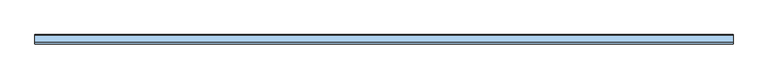
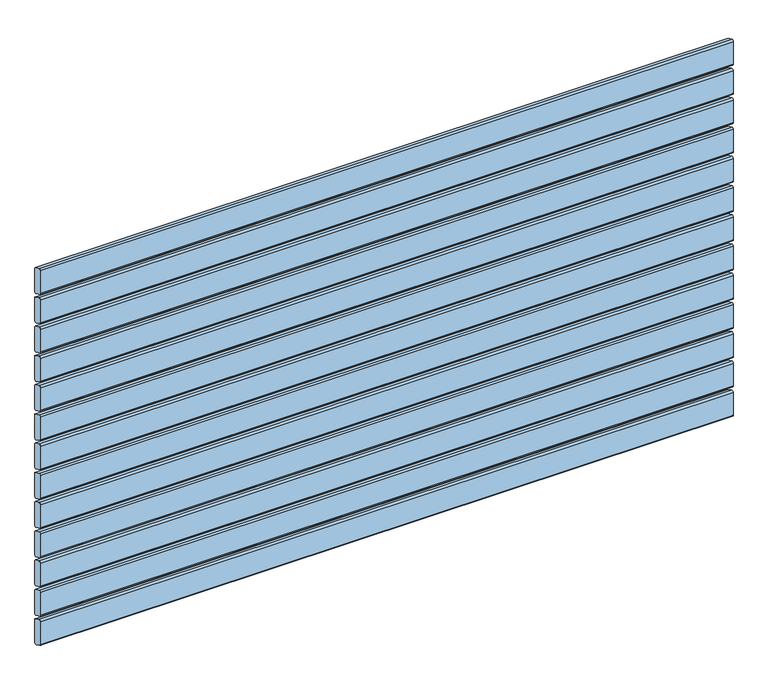
"""IFC4 building model written with IfcOpenShell, lengths in millimetres: window geometry."""

from ifc_helpers import new_model, si_unit, frame, origin, place, context, project, spatial, circle_curve, source, transform, mapped, element, save
from ifc_brep_helpers import plane_surface, cylinder_surface, advanced_brep


def window_3e2f545a(model_context):
    return source(origin(), model_context, "Body", "AdvancedBrep", [
        advanced_brep(
        [(750.0, 118.0028013, 1317.5270549), (750.0, 119.7349465, 1314.8081315), (750.0, 133.7322609, 1308.2810766), (750.0, 138.0, 1310.9736586), (750.0, 138.0, 1363.574129), (750.0, 136.9038327, 1365.8926244), (750.0, 122.1873858, 1372.7550163), (750.0, 118.0, 1370.0), (-750.0, 118.0, 1317.5270549), (-750.0, 118.0, 1370.0), (-750.0, 122.1873858, 1372.7550163), (-750.0, 136.9038327, 1365.8926244), (-750.0, 138.0, 1363.574129), (-750.0, 138.0, 1310.9736586), (-750.0, 133.7322609, 1308.2810766), (-750.0, 119.7349465, 1314.8081315)],
        [
            (0, 1, circle_curve(frame((750.0, 121.0028013, 1317.5270549), z_axis=(1.0, 0.0, 0.0), x_axis=(0.0, -0.422245314833475, -0.9064816016341312)), 3.0)),
            (1, 2),
            (2, 3, circle_curve(frame((750.0, 135.0001156, 1311.0), z_axis=(1.0, 0.0, 0.0), x_axis=(0.0, 1.0, 0.0)), 3.0)),
            (3, 4),
            (4, 5, circle_curve(frame((750.0, 135.0, 1363.574129), z_axis=(1.0, 0.0, 0.0), x_axis=(0.0, 0.4172998244673827, 0.908768868579625)), 3.0)),
            (5, 6),
            (6, 7, circle_curve(frame((750.0, 121.0, 1370.0), z_axis=(1.0, 0.0, 0.0), x_axis=(0.0, -1.0, 0.0)), 3.0)),
            (7, 0),
            (8, 9),
            (9, 10, circle_curve(frame((-750.0, 121.0, 1370.0), z_axis=(-1.0, 0.0, 0.0), x_axis=(0.0, -1.0, 0.0)), 3.0)),
            (10, 11),
            (11, 12, circle_curve(frame((-750.0, 135.0, 1363.574129), z_axis=(-1.0, 0.0, 0.0), x_axis=(0.0, 0.4172998244673827, 0.908768868579625)), 3.0)),
            (12, 13),
            (13, 14, circle_curve(frame((-750.0, 135.0001156, 1311.0), z_axis=(-1.0, 0.0, 0.0), x_axis=(0.0, 1.0, 0.0)), 3.0)),
            (14, 15),
            (15, 8, circle_curve(frame((-750.0, 121.0028013, 1317.5270549), z_axis=(-1.0, 0.0, 0.0), x_axis=(0.0, -0.422245314833475, -0.9064816016341312)), 3.0)),
            (0, 8),
            (15, 1),
            (14, 2),
            (13, 3),
            (12, 4),
            (11, 5),
            (10, 6),
            (9, 7),
        ],
        [
            plane_surface(frame((750.0, 100.0, 1340.5), z_axis=(1.0, 0.0, 0.0), x_axis=(0.0, 0.0, 1.0))),
            plane_surface(frame((-750.0, 100.0, 1340.5), z_axis=(-1.0, 0.0, 0.0), x_axis=(0.0, 0.0, 1.0))),
            cylinder_surface(frame((750.0, 121.0028013, 1317.5270549), z_axis=(1.0, 0.0, 0.0), x_axis=(0.0, -0.422245314833475, -0.9064816016341312)), 3.0),
            plane_surface(frame((750.0, 119.7349465, 1314.8081315), z_axis=(0.0, -0.4226182617407, -0.9063077870366497), x_axis=(-1.0, 0.0, 0.0))),
            cylinder_surface(frame((750.0, 135.0001156, 1311.0), z_axis=(1.0, 0.0, 0.0), x_axis=(0.0, 1.0, 0.0)), 3.0),
            plane_surface(frame((750.0, 138.0, 1310.9736586), z_axis=(0.0, 1.0, 0.0), x_axis=(-1.0, 0.0, 0.0))),
            cylinder_surface(frame((750.0, 135.0, 1363.574129), z_axis=(1.0000000000000002, 0.0, 0.0), x_axis=(0.0, 0.4172998244673827, 0.908768868579625)), 3.0),
            plane_surface(frame((750.0, 136.9038327, 1365.8926244), z_axis=(0.0, 0.4226182617406934, 0.9063077870366529), x_axis=(-1.0, 0.0, 0.0))),
            cylinder_surface(frame((750.0, 121.0, 1370.0), z_axis=(1.0, 0.0, 0.0), x_axis=(0.0, -1.0, 0.0)), 3.0),
            plane_surface(frame((750.0, 118.0, 1370.0), z_axis=(0.0, -1.0, 0.0), x_axis=(-1.0, 0.0, 0.0))),
        ],
        [
            (0, [[1, 2, 3, 4, 5, 6, 7, 8]]),
            (1, [[9, 10, 11, 12, 13, 14, 15, 16]]),
            (2, [[-1, 17, -16, 18]]),
            (3, [[-2, -18, -15, 19]]),
            (4, [[-3, -19, -14, 20]]),
            (5, [[-4, -20, -13, 21]]),
            (6, [[-5, -21, -12, 22]]),
            (7, [[-6, -22, -11, 23]]),
            (8, [[-7, -23, -10, 24]]),
            (9, [[-8, -24, -9, -17]]),
        ],
    ),
        advanced_brep(
        [(750.0, 118.0028013, 1250.5270549), (750.0, 119.7349465, 1247.8081315), (750.0, 133.7322609, 1241.2810766), (750.0, 138.0, 1243.9736586), (750.0, 138.0, 1296.574129), (750.0, 136.9038327, 1298.8926244), (750.0, 122.1873858, 1305.7550163), (750.0, 118.0, 1303.0), (-750.0, 118.0, 1250.5270549), (-750.0, 118.0, 1303.0), (-750.0, 122.1873858, 1305.7550163), (-750.0, 136.9038327, 1298.8926244), (-750.0, 138.0, 1296.574129), (-750.0, 138.0, 1243.9736586), (-750.0, 133.7322609, 1241.2810766), (-750.0, 119.7349465, 1247.8081315)],
        [
            (0, 1, circle_curve(frame((750.0, 121.0028013, 1250.5270549), z_axis=(1.0, 0.0, 0.0), x_axis=(0.0, -0.422245314833475, -0.9064816016341312)), 3.0)),
            (1, 2),
            (2, 3, circle_curve(frame((750.0, 135.0001156, 1244.0), z_axis=(1.0, 0.0, 0.0), x_axis=(0.0, 1.0, 0.0)), 3.0)),
            (3, 4),
            (4, 5, circle_curve(frame((750.0, 135.0, 1296.574129), z_axis=(1.0, 0.0, 0.0), x_axis=(0.0, 0.4172998244673827, 0.908768868579625)), 3.0)),
            (5, 6),
            (6, 7, circle_curve(frame((750.0, 121.0, 1303.0), z_axis=(1.0, 0.0, 0.0), x_axis=(0.0, -1.0, 0.0)), 3.0)),
            (7, 0),
            (8, 9),
            (9, 10, circle_curve(frame((-750.0, 121.0, 1303.0), z_axis=(-1.0, 0.0, 0.0), x_axis=(0.0, -1.0, 0.0)), 3.0)),
            (10, 11),
            (11, 12, circle_curve(frame((-750.0, 135.0, 1296.574129), z_axis=(-1.0, 0.0, 0.0), x_axis=(0.0, 0.4172998244673827, 0.908768868579625)), 3.0)),
            (12, 13),
            (13, 14, circle_curve(frame((-750.0, 135.0001156, 1244.0), z_axis=(-1.0, 0.0, 0.0), x_axis=(0.0, 1.0, 0.0)), 3.0)),
            (14, 15),
            (15, 8, circle_curve(frame((-750.0, 121.0028013, 1250.5270549), z_axis=(-1.0, 0.0, 0.0), x_axis=(0.0, -0.422245314833475, -0.9064816016341312)), 3.0)),
            (0, 8),
            (15, 1),
            (14, 2),
            (13, 3),
            (12, 4),
            (11, 5),
            (10, 6),
            (9, 7),
        ],
        [
            plane_surface(frame((750.0, 100.0, 1273.5), z_axis=(1.0, 0.0, 0.0), x_axis=(0.0, 0.0, 1.0))),
            plane_surface(frame((-750.0, 100.0, 1273.5), z_axis=(-1.0, 0.0, 0.0), x_axis=(0.0, 0.0, 1.0))),
            cylinder_surface(frame((750.0, 121.0028013, 1250.5270549), z_axis=(1.0, 0.0, 0.0), x_axis=(0.0, -0.422245314833475, -0.9064816016341312)), 3.0),
            plane_surface(frame((750.0, 119.7349465, 1247.8081315), z_axis=(0.0, -0.4226182617407, -0.9063077870366497), x_axis=(-1.0, 0.0, 0.0))),
            cylinder_surface(frame((750.0, 135.0001156, 1244.0), z_axis=(1.0, 0.0, 0.0), x_axis=(0.0, 1.0, 0.0)), 3.0),
            plane_surface(frame((750.0, 138.0, 1243.9736586), z_axis=(0.0, 1.0, 0.0), x_axis=(-1.0, 0.0, 0.0))),
            cylinder_surface(frame((750.0, 135.0, 1296.574129), z_axis=(1.0000000000000002, 0.0, 0.0), x_axis=(0.0, 0.4172998244673827, 0.908768868579625)), 3.0),
            plane_surface(frame((750.0, 136.9038327, 1298.8926244), z_axis=(0.0, 0.4226182617406934, 0.9063077870366529), x_axis=(-1.0, 0.0, 0.0))),
            cylinder_surface(frame((750.0, 121.0, 1303.0), z_axis=(1.0, 0.0, 0.0), x_axis=(0.0, -1.0, 0.0)), 3.0),
            plane_surface(frame((750.0, 118.0, 1303.0), z_axis=(0.0, -1.0, 0.0), x_axis=(-1.0, 0.0, 0.0))),
        ],
        [
            (0, [[1, 2, 3, 4, 5, 6, 7, 8]]),
            (1, [[9, 10, 11, 12, 13, 14, 15, 16]]),
            (2, [[-1, 17, -16, 18]]),
            (3, [[-2, -18, -15, 19]]),
            (4, [[-3, -19, -14, 20]]),
            (5, [[-4, -20, -13, 21]]),
            (6, [[-5, -21, -12, 22]]),
            (7, [[-6, -22, -11, 23]]),
            (8, [[-7, -23, -10, 24]]),
            (9, [[-8, -24, -9, -17]]),
        ],
    ),
        advanced_brep(
        [(750.0, 118.0028013, 1183.5270549), (750.0, 119.7349465, 1180.8081315), (750.0, 133.7322609, 1174.2810766), (750.0, 138.0, 1176.9736586), (750.0, 138.0, 1229.574129), (750.0, 136.9038327, 1231.8926244), (750.0, 122.1873858, 1238.7550163), (750.0, 118.0, 1236.0), (-750.0, 118.0, 1183.5270549), (-750.0, 118.0, 1236.0), (-750.0, 122.1873858, 1238.7550163), (-750.0, 136.9038327, 1231.8926244), (-750.0, 138.0, 1229.574129), (-750.0, 138.0, 1176.9736586), (-750.0, 133.7322609, 1174.2810766), (-750.0, 119.7349465, 1180.8081315)],
        [
            (0, 1, circle_curve(frame((750.0, 121.0028013, 1183.5270549), z_axis=(1.0, 0.0, 0.0), x_axis=(0.0, -0.422245314833475, -0.9064816016341312)), 3.0)),
            (1, 2),
            (2, 3, circle_curve(frame((750.0, 135.0001156, 1177.0), z_axis=(1.0, 0.0, 0.0), x_axis=(0.0, 1.0, 0.0)), 3.0)),
            (3, 4),
            (4, 5, circle_curve(frame((750.0, 135.0, 1229.574129), z_axis=(1.0, 0.0, 0.0), x_axis=(0.0, 0.4172998244673827, 0.908768868579625)), 3.0)),
            (5, 6),
            (6, 7, circle_curve(frame((750.0, 121.0, 1236.0), z_axis=(1.0, 0.0, 0.0), x_axis=(0.0, -1.0, 0.0)), 3.0)),
            (7, 0),
            (8, 9),
            (9, 10, circle_curve(frame((-750.0, 121.0, 1236.0), z_axis=(-1.0, 0.0, 0.0), x_axis=(0.0, -1.0, 0.0)), 3.0)),
            (10, 11),
            (11, 12, circle_curve(frame((-750.0, 135.0, 1229.574129), z_axis=(-1.0, 0.0, 0.0), x_axis=(0.0, 0.4172998244673827, 0.908768868579625)), 3.0)),
            (12, 13),
            (13, 14, circle_curve(frame((-750.0, 135.0001156, 1177.0), z_axis=(-1.0, 0.0, 0.0), x_axis=(0.0, 1.0, 0.0)), 3.0)),
            (14, 15),
            (15, 8, circle_curve(frame((-750.0, 121.0028013, 1183.5270549), z_axis=(-1.0, 0.0, 0.0), x_axis=(0.0, -0.422245314833475, -0.9064816016341312)), 3.0)),
            (0, 8),
            (15, 1),
            (14, 2),
            (13, 3),
            (12, 4),
            (11, 5),
            (10, 6),
            (9, 7),
        ],
        [
            plane_surface(frame((750.0, 100.0, 1206.5), z_axis=(1.0, 0.0, 0.0), x_axis=(0.0, 0.0, 1.0))),
            plane_surface(frame((-750.0, 100.0, 1206.5), z_axis=(-1.0, 0.0, 0.0), x_axis=(0.0, 0.0, 1.0))),
            cylinder_surface(frame((750.0, 121.0028013, 1183.5270549), z_axis=(1.0, 0.0, 0.0), x_axis=(0.0, -0.422245314833475, -0.9064816016341312)), 3.0),
            plane_surface(frame((750.0, 119.7349465, 1180.8081315), z_axis=(0.0, -0.4226182617407, -0.9063077870366497), x_axis=(-1.0, 0.0, 0.0))),
            cylinder_surface(frame((750.0, 135.0001156, 1177.0), z_axis=(1.0, 0.0, 0.0), x_axis=(0.0, 1.0, 0.0)), 3.0),
            plane_surface(frame((750.0, 138.0, 1176.9736586), z_axis=(0.0, 1.0, 0.0), x_axis=(-1.0, 0.0, 0.0))),
            cylinder_surface(frame((750.0, 135.0, 1229.574129), z_axis=(1.0000000000000002, 0.0, 0.0), x_axis=(0.0, 0.4172998244673827, 0.908768868579625)), 3.0),
            plane_surface(frame((750.0, 136.9038327, 1231.8926244), z_axis=(0.0, 0.4226182617406934, 0.9063077870366529), x_axis=(-1.0, 0.0, 0.0))),
            cylinder_surface(frame((750.0, 121.0, 1236.0), z_axis=(1.0, 0.0, 0.0), x_axis=(0.0, -1.0, 0.0)), 3.0),
            plane_surface(frame((750.0, 118.0, 1236.0), z_axis=(0.0, -1.0, 0.0), x_axis=(-1.0, 0.0, 0.0))),
        ],
        [
            (0, [[1, 2, 3, 4, 5, 6, 7, 8]]),
            (1, [[9, 10, 11, 12, 13, 14, 15, 16]]),
            (2, [[-1, 17, -16, 18]]),
            (3, [[-2, -18, -15, 19]]),
            (4, [[-3, -19, -14, 20]]),
            (5, [[-4, -20, -13, 21]]),
            (6, [[-5, -21, -12, 22]]),
            (7, [[-6, -22, -11, 23]]),
            (8, [[-7, -23, -10, 24]]),
            (9, [[-8, -24, -9, -17]]),
        ],
    ),
        advanced_brep(
        [(750.0, 118.0028013, 1116.5270549), (750.0, 119.7349465, 1113.8081315), (750.0, 133.7322609, 1107.2810766), (750.0, 138.0, 1109.9736586), (750.0, 138.0, 1162.574129), (750.0, 136.9038327, 1164.8926244), (750.0, 122.1873858, 1171.7550163), (750.0, 118.0, 1169.0), (-750.0, 118.0, 1116.5270549), (-750.0, 118.0, 1169.0), (-750.0, 122.1873858, 1171.7550163), (-750.0, 136.9038327, 1164.8926244), (-750.0, 138.0, 1162.574129), (-750.0, 138.0, 1109.9736586), (-750.0, 133.7322609, 1107.2810766), (-750.0, 119.7349465, 1113.8081315)],
        [
            (0, 1, circle_curve(frame((750.0, 121.0028013, 1116.5270549), z_axis=(1.0, 0.0, 0.0), x_axis=(0.0, -0.422245314833475, -0.9064816016341312)), 3.0)),
            (1, 2),
            (2, 3, circle_curve(frame((750.0, 135.0001156, 1110.0), z_axis=(1.0, 0.0, 0.0), x_axis=(0.0, 1.0, 0.0)), 3.0)),
            (3, 4),
            (4, 5, circle_curve(frame((750.0, 135.0, 1162.574129), z_axis=(1.0, 0.0, 0.0), x_axis=(0.0, 0.4172998244673827, 0.908768868579625)), 3.0)),
            (5, 6),
            (6, 7, circle_curve(frame((750.0, 121.0, 1169.0), z_axis=(1.0, 0.0, 0.0), x_axis=(0.0, -1.0, 0.0)), 3.0)),
            (7, 0),
            (8, 9),
            (9, 10, circle_curve(frame((-750.0, 121.0, 1169.0), z_axis=(-1.0, 0.0, 0.0), x_axis=(0.0, -1.0, 0.0)), 3.0)),
            (10, 11),
            (11, 12, circle_curve(frame((-750.0, 135.0, 1162.574129), z_axis=(-1.0, 0.0, 0.0), x_axis=(0.0, 0.4172998244673827, 0.908768868579625)), 3.0)),
            (12, 13),
            (13, 14, circle_curve(frame((-750.0, 135.0001156, 1110.0), z_axis=(-1.0, 0.0, 0.0), x_axis=(0.0, 1.0, 0.0)), 3.0)),
            (14, 15),
            (15, 8, circle_curve(frame((-750.0, 121.0028013, 1116.5270549), z_axis=(-1.0, 0.0, 0.0), x_axis=(0.0, -0.422245314833475, -0.9064816016341312)), 3.0)),
            (0, 8),
            (15, 1),
            (14, 2),
            (13, 3),
            (12, 4),
            (11, 5),
            (10, 6),
            (9, 7),
        ],
        [
            plane_surface(frame((750.0, 100.0, 1139.5), z_axis=(1.0, 0.0, 0.0), x_axis=(0.0, 0.0, 1.0))),
            plane_surface(frame((-750.0, 100.0, 1139.5), z_axis=(-1.0, 0.0, 0.0), x_axis=(0.0, 0.0, 1.0))),
            cylinder_surface(frame((750.0, 121.0028013, 1116.5270549), z_axis=(1.0, 0.0, 0.0), x_axis=(0.0, -0.422245314833475, -0.9064816016341312)), 3.0),
            plane_surface(frame((750.0, 119.7349465, 1113.8081315), z_axis=(0.0, -0.4226182617407, -0.9063077870366497), x_axis=(-1.0, 0.0, 0.0))),
            cylinder_surface(frame((750.0, 135.0001156, 1110.0), z_axis=(1.0, 0.0, 0.0), x_axis=(0.0, 1.0, 0.0)), 3.0),
            plane_surface(frame((750.0, 138.0, 1109.9736586), z_axis=(0.0, 1.0, 0.0), x_axis=(-1.0, 0.0, 0.0))),
            cylinder_surface(frame((750.0, 135.0, 1162.574129), z_axis=(1.0000000000000002, 0.0, 0.0), x_axis=(0.0, 0.4172998244673827, 0.908768868579625)), 3.0),
            plane_surface(frame((750.0, 136.9038327, 1164.8926244), z_axis=(0.0, 0.4226182617406934, 0.9063077870366529), x_axis=(-1.0, 0.0, 0.0))),
            cylinder_surface(frame((750.0, 121.0, 1169.0), z_axis=(1.0, 0.0, 0.0), x_axis=(0.0, -1.0, 0.0)), 3.0),
            plane_surface(frame((750.0, 118.0, 1169.0), z_axis=(0.0, -1.0, 0.0), x_axis=(-1.0, 0.0, 0.0))),
        ],
        [
            (0, [[1, 2, 3, 4, 5, 6, 7, 8]]),
            (1, [[9, 10, 11, 12, 13, 14, 15, 16]]),
            (2, [[-1, 17, -16, 18]]),
            (3, [[-2, -18, -15, 19]]),
            (4, [[-3, -19, -14, 20]]),
            (5, [[-4, -20, -13, 21]]),
            (6, [[-5, -21, -12, 22]]),
            (7, [[-6, -22, -11, 23]]),
            (8, [[-7, -23, -10, 24]]),
            (9, [[-8, -24, -9, -17]]),
        ],
    ),
        advanced_brep(
        [(750.0, 118.0028013, 1049.5270549), (750.0, 119.7349465, 1046.8081315), (750.0, 133.7322609, 1040.2810766), (750.0, 138.0, 1042.9736586), (750.0, 138.0, 1095.574129), (750.0, 136.9038327, 1097.8926244), (750.0, 122.1873858, 1104.7550163), (750.0, 118.0, 1102.0), (-750.0, 118.0, 1049.5270549), (-750.0, 118.0, 1102.0), (-750.0, 122.1873858, 1104.7550163), (-750.0, 136.9038327, 1097.8926244), (-750.0, 138.0, 1095.574129), (-750.0, 138.0, 1042.9736586), (-750.0, 133.7322609, 1040.2810766), (-750.0, 119.7349465, 1046.8081315)],
        [
            (0, 1, circle_curve(frame((750.0, 121.0028013, 1049.5270549), z_axis=(1.0, 0.0, 0.0), x_axis=(0.0, -0.422245314833475, -0.9064816016341312)), 3.0)),
            (1, 2),
            (2, 3, circle_curve(frame((750.0, 135.0001156, 1043.0), z_axis=(1.0, 0.0, 0.0), x_axis=(0.0, 1.0, 0.0)), 3.0)),
            (3, 4),
            (4, 5, circle_curve(frame((750.0, 135.0, 1095.574129), z_axis=(1.0, 0.0, 0.0), x_axis=(0.0, 0.4172998244673827, 0.908768868579625)), 3.0)),
            (5, 6),
            (6, 7, circle_curve(frame((750.0, 121.0, 1102.0), z_axis=(1.0, 0.0, 0.0), x_axis=(0.0, -1.0, 0.0)), 3.0)),
            (7, 0),
            (8, 9),
            (9, 10, circle_curve(frame((-750.0, 121.0, 1102.0), z_axis=(-1.0, 0.0, 0.0), x_axis=(0.0, -1.0, 0.0)), 3.0)),
            (10, 11),
            (11, 12, circle_curve(frame((-750.0, 135.0, 1095.574129), z_axis=(-1.0, 0.0, 0.0), x_axis=(0.0, 0.4172998244673827, 0.908768868579625)), 3.0)),
            (12, 13),
            (13, 14, circle_curve(frame((-750.0, 135.0001156, 1043.0), z_axis=(-1.0, 0.0, 0.0), x_axis=(0.0, 1.0, 0.0)), 3.0)),
            (14, 15),
            (15, 8, circle_curve(frame((-750.0, 121.0028013, 1049.5270549), z_axis=(-1.0, 0.0, 0.0), x_axis=(0.0, -0.422245314833475, -0.9064816016341312)), 3.0)),
            (0, 8),
            (15, 1),
            (14, 2),
            (13, 3),
            (12, 4),
            (11, 5),
            (10, 6),
            (9, 7),
        ],
        [
            plane_surface(frame((750.0, 100.0, 1072.5), z_axis=(1.0, 0.0, 0.0), x_axis=(0.0, 0.0, 1.0))),
            plane_surface(frame((-750.0, 100.0, 1072.5), z_axis=(-1.0, 0.0, 0.0), x_axis=(0.0, 0.0, 1.0))),
            cylinder_surface(frame((750.0, 121.0028013, 1049.5270549), z_axis=(1.0, 0.0, 0.0), x_axis=(0.0, -0.422245314833475, -0.9064816016341312)), 3.0),
            plane_surface(frame((750.0, 119.7349465, 1046.8081315), z_axis=(0.0, -0.4226182617407, -0.9063077870366497), x_axis=(-1.0, 0.0, 0.0))),
            cylinder_surface(frame((750.0, 135.0001156, 1043.0), z_axis=(1.0, 0.0, 0.0), x_axis=(0.0, 1.0, 0.0)), 3.0),
            plane_surface(frame((750.0, 138.0, 1042.9736586), z_axis=(0.0, 1.0, 0.0), x_axis=(-1.0, 0.0, 0.0))),
            cylinder_surface(frame((750.0, 135.0, 1095.574129), z_axis=(1.0000000000000002, 0.0, 0.0), x_axis=(0.0, 0.4172998244673827, 0.908768868579625)), 3.0),
            plane_surface(frame((750.0, 136.9038327, 1097.8926244), z_axis=(0.0, 0.4226182617406934, 0.9063077870366529), x_axis=(-1.0, 0.0, 0.0))),
            cylinder_surface(frame((750.0, 121.0, 1102.0), z_axis=(1.0, 0.0, 0.0), x_axis=(0.0, -1.0, 0.0)), 3.0),
            plane_surface(frame((750.0, 118.0, 1102.0), z_axis=(0.0, -1.0, 0.0), x_axis=(-1.0, 0.0, 0.0))),
        ],
        [
            (0, [[1, 2, 3, 4, 5, 6, 7, 8]]),
            (1, [[9, 10, 11, 12, 13, 14, 15, 16]]),
            (2, [[-1, 17, -16, 18]]),
            (3, [[-2, -18, -15, 19]]),
            (4, [[-3, -19, -14, 20]]),
            (5, [[-4, -20, -13, 21]]),
            (6, [[-5, -21, -12, 22]]),
            (7, [[-6, -22, -11, 23]]),
            (8, [[-7, -23, -10, 24]]),
            (9, [[-8, -24, -9, -17]]),
        ],
    ),
        advanced_brep(
        [(750.0, 118.0028013, 982.5270549), (750.0, 119.7349465, 979.8081315), (750.0, 133.7322609, 973.2810766), (750.0, 138.0, 975.9736586), (750.0, 138.0, 1028.574129), (750.0, 136.9038327, 1030.8926244), (750.0, 122.1873858, 1037.7550163), (750.0, 118.0, 1035.0), (-750.0, 118.0, 982.5270549), (-750.0, 118.0, 1035.0), (-750.0, 122.1873858, 1037.7550163), (-750.0, 136.9038327, 1030.8926244), (-750.0, 138.0, 1028.574129), (-750.0, 138.0, 975.9736586), (-750.0, 133.7322609, 973.2810766), (-750.0, 119.7349465, 979.8081315)],
        [
            (0, 1, circle_curve(frame((750.0, 121.0028013, 982.5270549), z_axis=(1.0, 0.0, 0.0), x_axis=(0.0, -0.422245314833475, -0.9064816016341312)), 3.0)),
            (1, 2),
            (2, 3, circle_curve(frame((750.0, 135.0001156, 976.0), z_axis=(1.0, 0.0, 0.0), x_axis=(0.0, 1.0, 0.0)), 3.0)),
            (3, 4),
            (4, 5, circle_curve(frame((750.0, 135.0, 1028.574129), z_axis=(1.0, 0.0, 0.0), x_axis=(0.0, 0.4172998244673827, 0.908768868579625)), 3.0)),
            (5, 6),
            (6, 7, circle_curve(frame((750.0, 121.0, 1035.0), z_axis=(1.0, 0.0, 0.0), x_axis=(0.0, -1.0, 0.0)), 3.0)),
            (7, 0),
            (8, 9),
            (9, 10, circle_curve(frame((-750.0, 121.0, 1035.0), z_axis=(-1.0, 0.0, 0.0), x_axis=(0.0, -1.0, 0.0)), 3.0)),
            (10, 11),
            (11, 12, circle_curve(frame((-750.0, 135.0, 1028.574129), z_axis=(-1.0, 0.0, 0.0), x_axis=(0.0, 0.4172998244673827, 0.908768868579625)), 3.0)),
            (12, 13),
            (13, 14, circle_curve(frame((-750.0, 135.0001156, 976.0), z_axis=(-1.0, 0.0, 0.0), x_axis=(0.0, 1.0, 0.0)), 3.0)),
            (14, 15),
            (15, 8, circle_curve(frame((-750.0, 121.0028013, 982.5270549), z_axis=(-1.0, 0.0, 0.0), x_axis=(0.0, -0.422245314833475, -0.9064816016341312)), 3.0)),
            (0, 8),
            (15, 1),
            (14, 2),
            (13, 3),
            (12, 4),
            (11, 5),
            (10, 6),
            (9, 7),
        ],
        [
            plane_surface(frame((750.0, 100.0, 1005.5), z_axis=(1.0, 0.0, 0.0), x_axis=(0.0, 0.0, 1.0))),
            plane_surface(frame((-750.0, 100.0, 1005.5), z_axis=(-1.0, 0.0, 0.0), x_axis=(0.0, 0.0, 1.0))),
            cylinder_surface(frame((750.0, 121.0028013, 982.5270549), z_axis=(1.0, 0.0, 0.0), x_axis=(0.0, -0.422245314833475, -0.9064816016341312)), 3.0),
            plane_surface(frame((750.0, 119.7349465, 979.8081315), z_axis=(0.0, -0.4226182617407, -0.9063077870366497), x_axis=(-1.0, 0.0, 0.0))),
            cylinder_surface(frame((750.0, 135.0001156, 976.0), z_axis=(1.0, 0.0, 0.0), x_axis=(0.0, 1.0, 0.0)), 3.0),
            plane_surface(frame((750.0, 138.0, 975.9736586), z_axis=(0.0, 1.0, 0.0), x_axis=(-1.0, 0.0, 0.0))),
            cylinder_surface(frame((750.0, 135.0, 1028.574129), z_axis=(1.0000000000000002, 0.0, 0.0), x_axis=(0.0, 0.4172998244673827, 0.908768868579625)), 3.0),
            plane_surface(frame((750.0, 136.9038327, 1030.8926244), z_axis=(0.0, 0.4226182617406934, 0.9063077870366529), x_axis=(-1.0, 0.0, 0.0))),
            cylinder_surface(frame((750.0, 121.0, 1035.0), z_axis=(1.0, 0.0, 0.0), x_axis=(0.0, -1.0, 0.0)), 3.0),
            plane_surface(frame((750.0, 118.0, 1035.0), z_axis=(0.0, -1.0, 0.0), x_axis=(-1.0, 0.0, 0.0))),
        ],
        [
            (0, [[1, 2, 3, 4, 5, 6, 7, 8]]),
            (1, [[9, 10, 11, 12, 13, 14, 15, 16]]),
            (2, [[-1, 17, -16, 18]]),
            (3, [[-2, -18, -15, 19]]),
            (4, [[-3, -19, -14, 20]]),
            (5, [[-4, -20, -13, 21]]),
            (6, [[-5, -21, -12, 22]]),
            (7, [[-6, -22, -11, 23]]),
            (8, [[-7, -23, -10, 24]]),
            (9, [[-8, -24, -9, -17]]),
        ],
    ),
        advanced_brep(
        [(750.0, 118.0028013, 915.5270549), (750.0, 119.7349465, 912.8081315), (750.0, 133.7322609, 906.2810766), (750.0, 138.0, 908.9736586), (750.0, 138.0, 961.574129), (750.0, 136.9038327, 963.8926244), (750.0, 122.1873858, 970.7550163), (750.0, 118.0, 968.0), (-750.0, 118.0, 915.5270549), (-750.0, 118.0, 968.0), (-750.0, 122.1873858, 970.7550163), (-750.0, 136.9038327, 963.8926244), (-750.0, 138.0, 961.574129), (-750.0, 138.0, 908.9736586), (-750.0, 133.7322609, 906.2810766), (-750.0, 119.7349465, 912.8081315)],
        [
            (0, 1, circle_curve(frame((750.0, 121.0028013, 915.5270549), z_axis=(1.0, 0.0, 0.0), x_axis=(0.0, -0.422245314833475, -0.9064816016341312)), 3.0)),
            (1, 2),
            (2, 3, circle_curve(frame((750.0, 135.0001156, 909.0), z_axis=(1.0, 0.0, 0.0), x_axis=(0.0, 1.0, 0.0)), 3.0)),
            (3, 4),
            (4, 5, circle_curve(frame((750.0, 135.0, 961.574129), z_axis=(1.0, 0.0, 0.0), x_axis=(0.0, 0.4172998244673827, 0.908768868579625)), 3.0)),
            (5, 6),
            (6, 7, circle_curve(frame((750.0, 121.0, 968.0), z_axis=(1.0, 0.0, 0.0), x_axis=(0.0, -1.0, 0.0)), 3.0)),
            (7, 0),
            (8, 9),
            (9, 10, circle_curve(frame((-750.0, 121.0, 968.0), z_axis=(-1.0, 0.0, 0.0), x_axis=(0.0, -1.0, 0.0)), 3.0)),
            (10, 11),
            (11, 12, circle_curve(frame((-750.0, 135.0, 961.574129), z_axis=(-1.0, 0.0, 0.0), x_axis=(0.0, 0.4172998244673827, 0.908768868579625)), 3.0)),
            (12, 13),
            (13, 14, circle_curve(frame((-750.0, 135.0001156, 909.0), z_axis=(-1.0, 0.0, 0.0), x_axis=(0.0, 1.0, 0.0)), 3.0)),
            (14, 15),
            (15, 8, circle_curve(frame((-750.0, 121.0028013, 915.5270549), z_axis=(-1.0, 0.0, 0.0), x_axis=(0.0, -0.422245314833475, -0.9064816016341312)), 3.0)),
            (0, 8),
            (15, 1),
            (14, 2),
            (13, 3),
            (12, 4),
            (11, 5),
            (10, 6),
            (9, 7),
        ],
        [
            plane_surface(frame((750.0, 100.0, 938.5), z_axis=(1.0, 0.0, 0.0), x_axis=(0.0, 0.0, 1.0))),
            plane_surface(frame((-750.0, 100.0, 938.5), z_axis=(-1.0, 0.0, 0.0), x_axis=(0.0, 0.0, 1.0))),
            cylinder_surface(frame((750.0, 121.0028013, 915.5270549), z_axis=(1.0, 0.0, 0.0), x_axis=(0.0, -0.422245314833475, -0.9064816016341312)), 3.0),
            plane_surface(frame((750.0, 119.7349465, 912.8081315), z_axis=(0.0, -0.4226182617407, -0.9063077870366497), x_axis=(-1.0, 0.0, 0.0))),
            cylinder_surface(frame((750.0, 135.0001156, 909.0), z_axis=(1.0, 0.0, 0.0), x_axis=(0.0, 1.0, 0.0)), 3.0),
            plane_surface(frame((750.0, 138.0, 908.9736586), z_axis=(0.0, 1.0, 0.0), x_axis=(-1.0, 0.0, 0.0))),
            cylinder_surface(frame((750.0, 135.0, 961.574129), z_axis=(1.0000000000000002, 0.0, 0.0), x_axis=(0.0, 0.4172998244673827, 0.908768868579625)), 3.0),
            plane_surface(frame((750.0, 136.9038327, 963.8926244), z_axis=(0.0, 0.4226182617406934, 0.9063077870366529), x_axis=(-1.0, 0.0, 0.0))),
            cylinder_surface(frame((750.0, 121.0, 968.0), z_axis=(1.0, 0.0, 0.0), x_axis=(0.0, -1.0, 0.0)), 3.0),
            plane_surface(frame((750.0, 118.0, 968.0), z_axis=(0.0, -1.0, 0.0), x_axis=(-1.0, 0.0, 0.0))),
        ],
        [
            (0, [[1, 2, 3, 4, 5, 6, 7, 8]]),
            (1, [[9, 10, 11, 12, 13, 14, 15, 16]]),
            (2, [[-1, 17, -16, 18]]),
            (3, [[-2, -18, -15, 19]]),
            (4, [[-3, -19, -14, 20]]),
            (5, [[-4, -20, -13, 21]]),
            (6, [[-5, -21, -12, 22]]),
            (7, [[-6, -22, -11, 23]]),
            (8, [[-7, -23, -10, 24]]),
            (9, [[-8, -24, -9, -17]]),
        ],
    ),
        advanced_brep(
        [(750.0, 118.0028013, 848.5270549), (750.0, 119.7349465, 845.8081315), (750.0, 133.7322609, 839.2810766), (750.0, 138.0, 841.9736586), (750.0, 138.0, 894.574129), (750.0, 136.9038327, 896.8926244), (750.0, 122.1873858, 903.7550163), (750.0, 118.0, 901.0), (-750.0, 118.0, 848.5270549), (-750.0, 118.0, 901.0), (-750.0, 122.1873858, 903.7550163), (-750.0, 136.9038327, 896.8926244), (-750.0, 138.0, 894.574129), (-750.0, 138.0, 841.9736586), (-750.0, 133.7322609, 839.2810766), (-750.0, 119.7349465, 845.8081315)],
        [
            (0, 1, circle_curve(frame((750.0, 121.0028013, 848.5270549), z_axis=(1.0, 0.0, 0.0), x_axis=(0.0, -0.422245314833475, -0.9064816016341312)), 3.0)),
            (1, 2),
            (2, 3, circle_curve(frame((750.0, 135.0001156, 842.0), z_axis=(1.0, 0.0, 0.0), x_axis=(0.0, 1.0, 0.0)), 3.0)),
            (3, 4),
            (4, 5, circle_curve(frame((750.0, 135.0, 894.574129), z_axis=(1.0, 0.0, 0.0), x_axis=(0.0, 0.4172998244673827, 0.908768868579625)), 3.0)),
            (5, 6),
            (6, 7, circle_curve(frame((750.0, 121.0, 901.0), z_axis=(1.0, 0.0, 0.0), x_axis=(0.0, -1.0, 0.0)), 3.0)),
            (7, 0),
            (8, 9),
            (9, 10, circle_curve(frame((-750.0, 121.0, 901.0), z_axis=(-1.0, 0.0, 0.0), x_axis=(0.0, -1.0, 0.0)), 3.0)),
            (10, 11),
            (11, 12, circle_curve(frame((-750.0, 135.0, 894.574129), z_axis=(-1.0, 0.0, 0.0), x_axis=(0.0, 0.4172998244673827, 0.908768868579625)), 3.0)),
            (12, 13),
            (13, 14, circle_curve(frame((-750.0, 135.0001156, 842.0), z_axis=(-1.0, 0.0, 0.0), x_axis=(0.0, 1.0, 0.0)), 3.0)),
            (14, 15),
            (15, 8, circle_curve(frame((-750.0, 121.0028013, 848.5270549), z_axis=(-1.0, 0.0, 0.0), x_axis=(0.0, -0.422245314833475, -0.9064816016341312)), 3.0)),
            (0, 8),
            (15, 1),
            (14, 2),
            (13, 3),
            (12, 4),
            (11, 5),
            (10, 6),
            (9, 7),
        ],
        [
            plane_surface(frame((750.0, 100.0, 871.5), z_axis=(1.0, 0.0, 0.0), x_axis=(0.0, 0.0, 1.0))),
            plane_surface(frame((-750.0, 100.0, 871.5), z_axis=(-1.0, 0.0, 0.0), x_axis=(0.0, 0.0, 1.0))),
            cylinder_surface(frame((750.0, 121.0028013, 848.5270549), z_axis=(1.0, 0.0, 0.0), x_axis=(0.0, -0.422245314833475, -0.9064816016341312)), 3.0),
            plane_surface(frame((750.0, 119.7349465, 845.8081315), z_axis=(0.0, -0.4226182617407, -0.9063077870366497), x_axis=(-1.0, 0.0, 0.0))),
            cylinder_surface(frame((750.0, 135.0001156, 842.0), z_axis=(1.0, 0.0, 0.0), x_axis=(0.0, 1.0, 0.0)), 3.0),
            plane_surface(frame((750.0, 138.0, 841.9736586), z_axis=(0.0, 1.0, 0.0), x_axis=(-1.0, 0.0, 0.0))),
            cylinder_surface(frame((750.0, 135.0, 894.574129), z_axis=(1.0000000000000002, 0.0, 0.0), x_axis=(0.0, 0.4172998244673827, 0.908768868579625)), 3.0),
            plane_surface(frame((750.0, 136.9038327, 896.8926244), z_axis=(0.0, 0.4226182617406934, 0.9063077870366529), x_axis=(-1.0, 0.0, 0.0))),
            cylinder_surface(frame((750.0, 121.0, 901.0), z_axis=(1.0, 0.0, 0.0), x_axis=(0.0, -1.0, 0.0)), 3.0),
            plane_surface(frame((750.0, 118.0, 901.0), z_axis=(0.0, -1.0, 0.0), x_axis=(-1.0, 0.0, 0.0))),
        ],
        [
            (0, [[1, 2, 3, 4, 5, 6, 7, 8]]),
            (1, [[9, 10, 11, 12, 13, 14, 15, 16]]),
            (2, [[-1, 17, -16, 18]]),
            (3, [[-2, -18, -15, 19]]),
            (4, [[-3, -19, -14, 20]]),
            (5, [[-4, -20, -13, 21]]),
            (6, [[-5, -21, -12, 22]]),
            (7, [[-6, -22, -11, 23]]),
            (8, [[-7, -23, -10, 24]]),
            (9, [[-8, -24, -9, -17]]),
        ],
    ),
        advanced_brep(
        [(750.0, 118.0028013, 781.5270549), (750.0, 119.7349465, 778.8081315), (750.0, 133.7322609, 772.2810766), (750.0, 138.0, 774.9736586), (750.0, 138.0, 827.574129), (750.0, 136.9038327, 829.8926244), (750.0, 122.1873858, 836.7550163), (750.0, 118.0, 834.0), (-750.0, 118.0, 781.5270549), (-750.0, 118.0, 834.0), (-750.0, 122.1873858, 836.7550163), (-750.0, 136.9038327, 829.8926244), (-750.0, 138.0, 827.574129), (-750.0, 138.0, 774.9736586), (-750.0, 133.7322609, 772.2810766), (-750.0, 119.7349465, 778.8081315)],
        [
            (0, 1, circle_curve(frame((750.0, 121.0028013, 781.5270549), z_axis=(1.0, 0.0, 0.0), x_axis=(0.0, -0.422245314833475, -0.9064816016341312)), 3.0)),
            (1, 2),
            (2, 3, circle_curve(frame((750.0, 135.0001156, 775.0), z_axis=(1.0, 0.0, 0.0), x_axis=(0.0, 1.0, 0.0)), 3.0)),
            (3, 4),
            (4, 5, circle_curve(frame((750.0, 135.0, 827.574129), z_axis=(1.0, 0.0, 0.0), x_axis=(0.0, 0.4172998244673827, 0.908768868579625)), 3.0)),
            (5, 6),
            (6, 7, circle_curve(frame((750.0, 121.0, 834.0), z_axis=(1.0, 0.0, 0.0), x_axis=(0.0, -1.0, 0.0)), 3.0)),
            (7, 0),
            (8, 9),
            (9, 10, circle_curve(frame((-750.0, 121.0, 834.0), z_axis=(-1.0, 0.0, 0.0), x_axis=(0.0, -1.0, 0.0)), 3.0)),
            (10, 11),
            (11, 12, circle_curve(frame((-750.0, 135.0, 827.574129), z_axis=(-1.0, 0.0, 0.0), x_axis=(0.0, 0.4172998244673827, 0.908768868579625)), 3.0)),
            (12, 13),
            (13, 14, circle_curve(frame((-750.0, 135.0001156, 775.0), z_axis=(-1.0, 0.0, 0.0), x_axis=(0.0, 1.0, 0.0)), 3.0)),
            (14, 15),
            (15, 8, circle_curve(frame((-750.0, 121.0028013, 781.5270549), z_axis=(-1.0, 0.0, 0.0), x_axis=(0.0, -0.422245314833475, -0.9064816016341312)), 3.0)),
            (0, 8),
            (15, 1),
            (14, 2),
            (13, 3),
            (12, 4),
            (11, 5),
            (10, 6),
            (9, 7),
        ],
        [
            plane_surface(frame((750.0, 100.0, 804.5), z_axis=(1.0, 0.0, 0.0), x_axis=(0.0, 0.0, 1.0))),
            plane_surface(frame((-750.0, 100.0, 804.5), z_axis=(-1.0, 0.0, 0.0), x_axis=(0.0, 0.0, 1.0))),
            cylinder_surface(frame((750.0, 121.0028013, 781.5270549), z_axis=(1.0, 0.0, 0.0), x_axis=(0.0, -0.422245314833475, -0.9064816016341312)), 3.0),
            plane_surface(frame((750.0, 119.7349465, 778.8081315), z_axis=(0.0, -0.4226182617407, -0.9063077870366497), x_axis=(-1.0, 0.0, 0.0))),
            cylinder_surface(frame((750.0, 135.0001156, 775.0), z_axis=(1.0, 0.0, 0.0), x_axis=(0.0, 1.0, 0.0)), 3.0),
            plane_surface(frame((750.0, 138.0, 774.9736586), z_axis=(0.0, 1.0, 0.0), x_axis=(-1.0, 0.0, 0.0))),
            cylinder_surface(frame((750.0, 135.0, 827.574129), z_axis=(1.0000000000000002, 0.0, 0.0), x_axis=(0.0, 0.4172998244673827, 0.908768868579625)), 3.0),
            plane_surface(frame((750.0, 136.9038327, 829.8926244), z_axis=(0.0, 0.4226182617406934, 0.9063077870366529), x_axis=(-1.0, 0.0, 0.0))),
            cylinder_surface(frame((750.0, 121.0, 834.0), z_axis=(1.0, 0.0, 0.0), x_axis=(0.0, -1.0, 0.0)), 3.0),
            plane_surface(frame((750.0, 118.0, 834.0), z_axis=(0.0, -1.0, 0.0), x_axis=(-1.0, 0.0, 0.0))),
        ],
        [
            (0, [[1, 2, 3, 4, 5, 6, 7, 8]]),
            (1, [[9, 10, 11, 12, 13, 14, 15, 16]]),
            (2, [[-1, 17, -16, 18]]),
            (3, [[-2, -18, -15, 19]]),
            (4, [[-3, -19, -14, 20]]),
            (5, [[-4, -20, -13, 21]]),
            (6, [[-5, -21, -12, 22]]),
            (7, [[-6, -22, -11, 23]]),
            (8, [[-7, -23, -10, 24]]),
            (9, [[-8, -24, -9, -17]]),
        ],
    ),
        advanced_brep(
        [(750.0, 118.0028013, 714.5270549), (750.0, 119.7349465, 711.8081315), (750.0, 133.7322609, 705.2810766), (750.0, 138.0, 707.9736586), (750.0, 138.0, 760.574129), (750.0, 136.9038327, 762.8926244), (750.0, 122.1873858, 769.7550163), (750.0, 118.0, 767.0), (-750.0, 118.0, 714.5270549), (-750.0, 118.0, 767.0), (-750.0, 122.1873858, 769.7550163), (-750.0, 136.9038327, 762.8926244), (-750.0, 138.0, 760.574129), (-750.0, 138.0, 707.9736586), (-750.0, 133.7322609, 705.2810766), (-750.0, 119.7349465, 711.8081315)],
        [
            (0, 1, circle_curve(frame((750.0, 121.0028013, 714.5270549), z_axis=(1.0, 0.0, 0.0), x_axis=(0.0, -0.422245314833475, -0.9064816016341312)), 3.0)),
            (1, 2),
            (2, 3, circle_curve(frame((750.0, 135.0001156, 708.0), z_axis=(1.0, 0.0, 0.0), x_axis=(0.0, 1.0, 0.0)), 3.0)),
            (3, 4),
            (4, 5, circle_curve(frame((750.0, 135.0, 760.574129), z_axis=(1.0, 0.0, 0.0), x_axis=(0.0, 0.4172998244673827, 0.908768868579625)), 3.0)),
            (5, 6),
            (6, 7, circle_curve(frame((750.0, 121.0, 767.0), z_axis=(1.0, 0.0, 0.0), x_axis=(0.0, -1.0, 0.0)), 3.0)),
            (7, 0),
            (8, 9),
            (9, 10, circle_curve(frame((-750.0, 121.0, 767.0), z_axis=(-1.0, 0.0, 0.0), x_axis=(0.0, -1.0, 0.0)), 3.0)),
            (10, 11),
            (11, 12, circle_curve(frame((-750.0, 135.0, 760.574129), z_axis=(-1.0, 0.0, 0.0), x_axis=(0.0, 0.4172998244673827, 0.908768868579625)), 3.0)),
            (12, 13),
            (13, 14, circle_curve(frame((-750.0, 135.0001156, 708.0), z_axis=(-1.0, 0.0, 0.0), x_axis=(0.0, 1.0, 0.0)), 3.0)),
            (14, 15),
            (15, 8, circle_curve(frame((-750.0, 121.0028013, 714.5270549), z_axis=(-1.0, 0.0, 0.0), x_axis=(0.0, -0.422245314833475, -0.9064816016341312)), 3.0)),
            (0, 8),
            (15, 1),
            (14, 2),
            (13, 3),
            (12, 4),
            (11, 5),
            (10, 6),
            (9, 7),
        ],
        [
            plane_surface(frame((750.0, 100.0, 737.5), z_axis=(1.0, 0.0, 0.0), x_axis=(0.0, 0.0, 1.0))),
            plane_surface(frame((-750.0, 100.0, 737.5), z_axis=(-1.0, 0.0, 0.0), x_axis=(0.0, 0.0, 1.0))),
            cylinder_surface(frame((750.0, 121.0028013, 714.5270549), z_axis=(1.0, 0.0, 0.0), x_axis=(0.0, -0.422245314833475, -0.9064816016341312)), 3.0),
            plane_surface(frame((750.0, 119.7349465, 711.8081315), z_axis=(0.0, -0.4226182617407, -0.9063077870366497), x_axis=(-1.0, 0.0, 0.0))),
            cylinder_surface(frame((750.0, 135.0001156, 708.0), z_axis=(1.0, 0.0, 0.0), x_axis=(0.0, 1.0, 0.0)), 3.0),
            plane_surface(frame((750.0, 138.0, 707.9736586), z_axis=(0.0, 1.0, 0.0), x_axis=(-1.0, 0.0, 0.0))),
            cylinder_surface(frame((750.0, 135.0, 760.574129), z_axis=(1.0000000000000002, 0.0, 0.0), x_axis=(0.0, 0.4172998244673827, 0.908768868579625)), 3.0),
            plane_surface(frame((750.0, 136.9038327, 762.8926244), z_axis=(0.0, 0.4226182617406934, 0.9063077870366529), x_axis=(-1.0, 0.0, 0.0))),
            cylinder_surface(frame((750.0, 121.0, 767.0), z_axis=(1.0, 0.0, 0.0), x_axis=(0.0, -1.0, 0.0)), 3.0),
            plane_surface(frame((750.0, 118.0, 767.0), z_axis=(0.0, -1.0, 0.0), x_axis=(-1.0, 0.0, 0.0))),
        ],
        [
            (0, [[1, 2, 3, 4, 5, 6, 7, 8]]),
            (1, [[9, 10, 11, 12, 13, 14, 15, 16]]),
            (2, [[-1, 17, -16, 18]]),
            (3, [[-2, -18, -15, 19]]),
            (4, [[-3, -19, -14, 20]]),
            (5, [[-4, -20, -13, 21]]),
            (6, [[-5, -21, -12, 22]]),
            (7, [[-6, -22, -11, 23]]),
            (8, [[-7, -23, -10, 24]]),
            (9, [[-8, -24, -9, -17]]),
        ],
    ),
        advanced_brep(
        [(750.0, 118.0028013, 647.5270549), (750.0, 119.7349465, 644.8081315), (750.0, 133.7322609, 638.2810766), (750.0, 138.0, 640.9736586), (750.0, 138.0, 693.574129), (750.0, 136.9038327, 695.8926244), (750.0, 122.1873858, 702.7550163), (750.0, 118.0, 700.0), (-750.0, 118.0, 647.5270549), (-750.0, 118.0, 700.0), (-750.0, 122.1873858, 702.7550163), (-750.0, 136.9038327, 695.8926244), (-750.0, 138.0, 693.574129), (-750.0, 138.0, 640.9736586), (-750.0, 133.7322609, 638.2810766), (-750.0, 119.7349465, 644.8081315)],
        [
            (0, 1, circle_curve(frame((750.0, 121.0028013, 647.5270549), z_axis=(1.0, 0.0, 0.0), x_axis=(0.0, -0.422245314833475, -0.9064816016341312)), 3.0)),
            (1, 2),
            (2, 3, circle_curve(frame((750.0, 135.0001156, 641.0), z_axis=(1.0, 0.0, 0.0), x_axis=(0.0, 1.0, 0.0)), 3.0)),
            (3, 4),
            (4, 5, circle_curve(frame((750.0, 135.0, 693.574129), z_axis=(1.0, 0.0, 0.0), x_axis=(0.0, 0.4172998244673827, 0.908768868579625)), 3.0)),
            (5, 6),
            (6, 7, circle_curve(frame((750.0, 121.0, 700.0), z_axis=(1.0, 0.0, 0.0), x_axis=(0.0, -1.0, 0.0)), 3.0)),
            (7, 0),
            (8, 9),
            (9, 10, circle_curve(frame((-750.0, 121.0, 700.0), z_axis=(-1.0, 0.0, 0.0), x_axis=(0.0, -1.0, 0.0)), 3.0)),
            (10, 11),
            (11, 12, circle_curve(frame((-750.0, 135.0, 693.574129), z_axis=(-1.0, 0.0, 0.0), x_axis=(0.0, 0.4172998244673827, 0.908768868579625)), 3.0)),
            (12, 13),
            (13, 14, circle_curve(frame((-750.0, 135.0001156, 641.0), z_axis=(-1.0, 0.0, 0.0), x_axis=(0.0, 1.0, 0.0)), 3.0)),
            (14, 15),
            (15, 8, circle_curve(frame((-750.0, 121.0028013, 647.5270549), z_axis=(-1.0, 0.0, 0.0), x_axis=(0.0, -0.422245314833475, -0.9064816016341312)), 3.0)),
            (0, 8),
            (15, 1),
            (14, 2),
            (13, 3),
            (12, 4),
            (11, 5),
            (10, 6),
            (9, 7),
        ],
        [
            plane_surface(frame((750.0, 100.0, 670.5), z_axis=(1.0, 0.0, 0.0), x_axis=(0.0, 0.0, 1.0))),
            plane_surface(frame((-750.0, 100.0, 670.5), z_axis=(-1.0, 0.0, 0.0), x_axis=(0.0, 0.0, 1.0))),
            cylinder_surface(frame((750.0, 121.0028013, 647.5270549), z_axis=(1.0, 0.0, 0.0), x_axis=(0.0, -0.422245314833475, -0.9064816016341312)), 3.0),
            plane_surface(frame((750.0, 119.7349465, 644.8081315), z_axis=(0.0, -0.4226182617407, -0.9063077870366497), x_axis=(-1.0, 0.0, 0.0))),
            cylinder_surface(frame((750.0, 135.0001156, 641.0), z_axis=(1.0, 0.0, 0.0), x_axis=(0.0, 1.0, 0.0)), 3.0),
            plane_surface(frame((750.0, 138.0, 640.9736586), z_axis=(0.0, 1.0, 0.0), x_axis=(-1.0, 0.0, 0.0))),
            cylinder_surface(frame((750.0, 135.0, 693.574129), z_axis=(1.0000000000000002, 0.0, 0.0), x_axis=(0.0, 0.4172998244673827, 0.908768868579625)), 3.0),
            plane_surface(frame((750.0, 136.9038327, 695.8926244), z_axis=(0.0, 0.4226182617406934, 0.9063077870366529), x_axis=(-1.0, 0.0, 0.0))),
            cylinder_surface(frame((750.0, 121.0, 700.0), z_axis=(1.0, 0.0, 0.0), x_axis=(0.0, -1.0, 0.0)), 3.0),
            plane_surface(frame((750.0, 118.0, 700.0), z_axis=(0.0, -1.0, 0.0), x_axis=(-1.0, 0.0, 0.0))),
        ],
        [
            (0, [[1, 2, 3, 4, 5, 6, 7, 8]]),
            (1, [[9, 10, 11, 12, 13, 14, 15, 16]]),
            (2, [[-1, 17, -16, 18]]),
            (3, [[-2, -18, -15, 19]]),
            (4, [[-3, -19, -14, 20]]),
            (5, [[-4, -20, -13, 21]]),
            (6, [[-5, -21, -12, 22]]),
            (7, [[-6, -22, -11, 23]]),
            (8, [[-7, -23, -10, 24]]),
            (9, [[-8, -24, -9, -17]]),
        ],
    ),
        advanced_brep(
        [(750.0, 118.0028013, 580.5270549), (750.0, 119.7349465, 577.8081315), (750.0, 133.7322609, 571.2810766), (750.0, 138.0, 573.9736586), (750.0, 138.0, 626.574129), (750.0, 136.9038327, 628.8926244), (750.0, 122.1873858, 635.7550163), (750.0, 118.0, 633.0), (-750.0, 118.0, 580.5270549), (-750.0, 118.0, 633.0), (-750.0, 122.1873858, 635.7550163), (-750.0, 136.9038327, 628.8926244), (-750.0, 138.0, 626.574129), (-750.0, 138.0, 573.9736586), (-750.0, 133.7322609, 571.2810766), (-750.0, 119.7349465, 577.8081315)],
        [
            (0, 1, circle_curve(frame((750.0, 121.0028013, 580.5270549), z_axis=(1.0, 0.0, 0.0), x_axis=(0.0, -0.422245314833475, -0.9064816016341312)), 3.0)),
            (1, 2),
            (2, 3, circle_curve(frame((750.0, 135.0001156, 574.0), z_axis=(1.0, 0.0, 0.0), x_axis=(0.0, 1.0, 0.0)), 3.0)),
            (3, 4),
            (4, 5, circle_curve(frame((750.0, 135.0, 626.574129), z_axis=(1.0, 0.0, 0.0), x_axis=(0.0, 0.4172998244673827, 0.908768868579625)), 3.0)),
            (5, 6),
            (6, 7, circle_curve(frame((750.0, 121.0, 633.0), z_axis=(1.0, 0.0, 0.0), x_axis=(0.0, -1.0, 0.0)), 3.0)),
            (7, 0),
            (8, 9),
            (9, 10, circle_curve(frame((-750.0, 121.0, 633.0), z_axis=(-1.0, 0.0, 0.0), x_axis=(0.0, -1.0, 0.0)), 3.0)),
            (10, 11),
            (11, 12, circle_curve(frame((-750.0, 135.0, 626.574129), z_axis=(-1.0, 0.0, 0.0), x_axis=(0.0, 0.4172998244673827, 0.908768868579625)), 3.0)),
            (12, 13),
            (13, 14, circle_curve(frame((-750.0, 135.0001156, 574.0), z_axis=(-1.0, 0.0, 0.0), x_axis=(0.0, 1.0, 0.0)), 3.0)),
            (14, 15),
            (15, 8, circle_curve(frame((-750.0, 121.0028013, 580.5270549), z_axis=(-1.0, 0.0, 0.0), x_axis=(0.0, -0.422245314833475, -0.9064816016341312)), 3.0)),
            (0, 8),
            (15, 1),
            (14, 2),
            (13, 3),
            (12, 4),
            (11, 5),
            (10, 6),
            (9, 7),
        ],
        [
            plane_surface(frame((750.0, 100.0, 603.5), z_axis=(1.0, 0.0, 0.0), x_axis=(0.0, 0.0, 1.0))),
            plane_surface(frame((-750.0, 100.0, 603.5), z_axis=(-1.0, 0.0, 0.0), x_axis=(0.0, 0.0, 1.0))),
            cylinder_surface(frame((750.0, 121.0028013, 580.5270549), z_axis=(1.0, 0.0, 0.0), x_axis=(0.0, -0.422245314833475, -0.9064816016341312)), 3.0),
            plane_surface(frame((750.0, 119.7349465, 577.8081315), z_axis=(0.0, -0.4226182617407, -0.9063077870366497), x_axis=(-1.0, 0.0, 0.0))),
            cylinder_surface(frame((750.0, 135.0001156, 574.0), z_axis=(1.0, 0.0, 0.0), x_axis=(0.0, 1.0, 0.0)), 3.0),
            plane_surface(frame((750.0, 138.0, 573.9736586), z_axis=(0.0, 1.0, 0.0), x_axis=(-1.0, 0.0, 0.0))),
            cylinder_surface(frame((750.0, 135.0, 626.574129), z_axis=(1.0000000000000002, 0.0, 0.0), x_axis=(0.0, 0.4172998244673827, 0.908768868579625)), 3.0),
            plane_surface(frame((750.0, 136.9038327, 628.8926244), z_axis=(0.0, 0.4226182617406934, 0.9063077870366529), x_axis=(-1.0, 0.0, 0.0))),
            cylinder_surface(frame((750.0, 121.0, 633.0), z_axis=(1.0, 0.0, 0.0), x_axis=(0.0, -1.0, 0.0)), 3.0),
            plane_surface(frame((750.0, 118.0, 633.0), z_axis=(0.0, -1.0, 0.0), x_axis=(-1.0, 0.0, 0.0))),
        ],
        [
            (0, [[1, 2, 3, 4, 5, 6, 7, 8]]),
            (1, [[9, 10, 11, 12, 13, 14, 15, 16]]),
            (2, [[-1, 17, -16, 18]]),
            (3, [[-2, -18, -15, 19]]),
            (4, [[-3, -19, -14, 20]]),
            (5, [[-4, -20, -13, 21]]),
            (6, [[-5, -21, -12, 22]]),
            (7, [[-6, -22, -11, 23]]),
            (8, [[-7, -23, -10, 24]]),
            (9, [[-8, -24, -9, -17]]),
        ],
    ),
        advanced_brep(
        [(750.0, 118.0028013, 513.5270549), (750.0, 119.7349465, 510.8081315), (750.0, 133.7322609, 504.2810766), (750.0, 138.0, 506.9736586), (750.0, 138.0, 559.574129), (750.0, 136.9038327, 561.8926244), (750.0, 122.1873858, 568.7550163), (750.0, 118.0, 566.0), (-750.0, 118.0, 513.5270549), (-750.0, 118.0, 566.0), (-750.0, 122.1873858, 568.7550163), (-750.0, 136.9038327, 561.8926244), (-750.0, 138.0, 559.574129), (-750.0, 138.0, 506.9736586), (-750.0, 133.7322609, 504.2810766), (-750.0, 119.7349465, 510.8081315)],
        [
            (0, 1, circle_curve(frame((750.0, 121.0028013, 513.5270549), z_axis=(1.0, 0.0, 0.0), x_axis=(0.0, -0.422245314833475, -0.9064816016341312)), 3.0)),
            (1, 2),
            (2, 3, circle_curve(frame((750.0, 135.0001156, 507.0), z_axis=(1.0, 0.0, 0.0), x_axis=(0.0, 1.0, 0.0)), 3.0)),
            (3, 4),
            (4, 5, circle_curve(frame((750.0, 135.0, 559.574129), z_axis=(1.0, 0.0, 0.0), x_axis=(0.0, 0.4172998244673827, 0.908768868579625)), 3.0)),
            (5, 6),
            (6, 7, circle_curve(frame((750.0, 121.0, 566.0), z_axis=(1.0, 0.0, 0.0), x_axis=(0.0, -1.0, 0.0)), 3.0)),
            (7, 0),
            (8, 9),
            (9, 10, circle_curve(frame((-750.0, 121.0, 566.0), z_axis=(-1.0, 0.0, 0.0), x_axis=(0.0, -1.0, 0.0)), 3.0)),
            (10, 11),
            (11, 12, circle_curve(frame((-750.0, 135.0, 559.574129), z_axis=(-1.0, 0.0, 0.0), x_axis=(0.0, 0.4172998244673827, 0.908768868579625)), 3.0)),
            (12, 13),
            (13, 14, circle_curve(frame((-750.0, 135.0001156, 507.0), z_axis=(-1.0, 0.0, 0.0), x_axis=(0.0, 1.0, 0.0)), 3.0)),
            (14, 15),
            (15, 8, circle_curve(frame((-750.0, 121.0028013, 513.5270549), z_axis=(-1.0, 0.0, 0.0), x_axis=(0.0, -0.422245314833475, -0.9064816016341312)), 3.0)),
            (0, 8),
            (15, 1),
            (14, 2),
            (13, 3),
            (12, 4),
            (11, 5),
            (10, 6),
            (9, 7),
        ],
        [
            plane_surface(frame((750.0, 100.0, 536.5), z_axis=(1.0, 0.0, 0.0), x_axis=(0.0, 0.0, 1.0))),
            plane_surface(frame((-750.0, 100.0, 536.5), z_axis=(-1.0, 0.0, 0.0), x_axis=(0.0, 0.0, 1.0))),
            cylinder_surface(frame((750.0, 121.0028013, 513.5270549), z_axis=(1.0, 0.0, 0.0), x_axis=(0.0, -0.422245314833475, -0.9064816016341312)), 3.0),
            plane_surface(frame((750.0, 119.7349465, 510.8081315), z_axis=(0.0, -0.4226182617407, -0.9063077870366497), x_axis=(-1.0, 0.0, 0.0))),
            cylinder_surface(frame((750.0, 135.0001156, 507.0), z_axis=(1.0, 0.0, 0.0), x_axis=(0.0, 1.0, 0.0)), 3.0),
            plane_surface(frame((750.0, 138.0, 506.9736586), z_axis=(0.0, 1.0, 0.0), x_axis=(-1.0, 0.0, 0.0))),
            cylinder_surface(frame((750.0, 135.0, 559.574129), z_axis=(1.0000000000000002, 0.0, 0.0), x_axis=(0.0, 0.4172998244673827, 0.908768868579625)), 3.0),
            plane_surface(frame((750.0, 136.9038327, 561.8926244), z_axis=(0.0, 0.4226182617406934, 0.9063077870366529), x_axis=(-1.0, 0.0, 0.0))),
            cylinder_surface(frame((750.0, 121.0, 566.0), z_axis=(1.0, 0.0, 0.0), x_axis=(0.0, -1.0, 0.0)), 3.0),
            plane_surface(frame((750.0, 118.0, 566.0), z_axis=(0.0, -1.0, 0.0), x_axis=(-1.0, 0.0, 0.0))),
        ],
        [
            (0, [[1, 2, 3, 4, 5, 6, 7, 8]]),
            (1, [[9, 10, 11, 12, 13, 14, 15, 16]]),
            (2, [[-1, 17, -16, 18]]),
            (3, [[-2, -18, -15, 19]]),
            (4, [[-3, -19, -14, 20]]),
            (5, [[-4, -20, -13, 21]]),
            (6, [[-5, -21, -12, 22]]),
            (7, [[-6, -22, -11, 23]]),
            (8, [[-7, -23, -10, 24]]),
            (9, [[-8, -24, -9, -17]]),
        ],
    ),
    ])


if __name__ == "__main__":
    model = new_model("IFC4")
    model_context = context("Model", 3, world=origin())
    ifc_project = project(units=[si_unit("LENGTHUNIT", "METRE", prefix="MILLI")], contexts=[model_context])
    site = spatial("IfcSite", under=ifc_project)
    building = spatial("IfcBuilding", under=site)
    placement = place(None, origin())
    window_shape = window_3e2f545a(model_context)
    element("IfcWindow", 1, at=placement, inside=building, context=model_context, shape_type="MappedRepresentation", body=[
        mapped(window_shape, transform((0.0, 0.0, 0.0), x_axis=(1.0, 0.0, 0.0), y_axis=(0.0, 1.0, 0.0), z_axis=(0.0, 0.0, 1.0))),
    ])
    save(model, "model.ifc")
